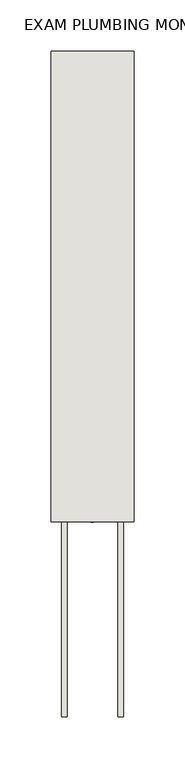
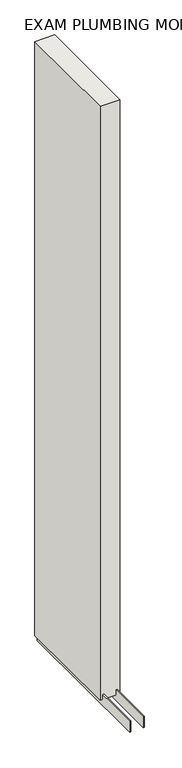
"""IFC4 building model written with IfcOpenShell, lengths in millimetres: wall geometry, EXAM PLUMBING MONO 287746 : EXAM PLUMBING MONO 287746."""

from ifc_helpers import new_model, si_unit, frame, origin, place, context, project, spatial, polyline, outline, extrude, source, transform, mapped, element, save


def exam_plumbing_mono_287746_exam_plumbing_mono_287746_1ad8a20e(model_context):
    return source(origin(), model_context, "Body", "SweptSolid", [
        extrude(outline(polyline([(78033.282211, -48831.8113024), (78033.282211, -48834.3513024), (78030.742211, -48834.3513024), (78030.742211, -48831.8113024), (78033.282211, -48831.8113024)])), frame((0.0, 0.0, 4419.6), z_axis=(0.0, 0.0, 1.0), x_axis=(1.0, 0.0, 0.0)), (0.0, 0.0, 1.0), 2.54),
        extrude(outline(polyline([(78006.9284664, -48374.0705618), (78006.9284664, -49024.8463494), (78001.849711, -49024.8463494), (78001.849711, -48374.0705618), (78006.9284664, -48374.0705618)])), frame((0.0, 0.0, 4418.6602), z_axis=(0.0, 0.0, 1.0), x_axis=(1.0, 0.0, 0.0)), (0.0, 0.0, 1.0), 47.625),
        extrude(outline(polyline([(78006.9284664, -48374.0705618), (78006.9284664, -49024.8463494), (78001.849711, -49024.8463494), (78001.849711, -48374.0705618), (78006.9284664, -48374.0705618)])), frame((0.0, 0.0, 4418.6602), z_axis=(0.0, 0.0, 1.0), x_axis=(1.0, 0.0, 0.0)), (0.0, 0.0, 1.0), 47.625),
        extrude(outline(polyline([(78057.0959556, -49024.8463494), (78057.0959556, -48374.0705618), (78062.174711, -48374.0705618), (78062.174711, -49024.8463494), (78057.0959556, -49024.8463494)])), frame((0.0, 0.0, 4418.6602), z_axis=(0.0, 0.0, 1.0), x_axis=(1.0, 0.0, 0.0)), (0.0, 0.0, 1.0), 47.625),
        extrude(outline(polyline([(78057.0959556, -49024.8463494), (78057.0959556, -48374.0705618), (78062.174711, -48374.0705618), (78062.174711, -49024.8463494), (78057.0959556, -49024.8463494)])), frame((0.0, 0.0, 4418.6602), z_axis=(0.0, 0.0, 1.0), x_axis=(1.0, 0.0, 0.0)), (0.0, 0.0, 1.0), 47.625),
        extrude(outline(polyline([(77991.3573266, -48374.0705618), (78072.6670954, -48374.0705618), (78072.6670954, -48834.3463494), (77991.3573266, -48834.3463494), (77991.3573266, -48374.0705618)])), frame((0.0, 0.0, 4445.0), z_axis=(0.0, 0.0, 1.0), x_axis=(1.0, 0.0, 0.0)), (0.0, 0.0, 1.0), 2562.4536762),
    ])


if __name__ == "__main__":
    model = new_model("IFC4")
    model_context = context("Model", 3, world=origin())
    ifc_project = project(units=[si_unit("LENGTHUNIT", "METRE", prefix="MILLI")], contexts=[model_context])
    site = spatial("IfcSite", under=ifc_project)
    building = spatial("IfcBuilding", under=site)
    placement = place(None, origin())
    exam_plumbing_mono_287746_exam_plumbing_mono_287746_shape = exam_plumbing_mono_287746_exam_plumbing_mono_287746_1ad8a20e(model_context)
    element("IfcWall", 1, ObjectType="EXAM PLUMBING MONO 287746 : EXAM PLUMBING MONO 287746", at=placement, inside=building, context=model_context, shape_type="MappedRepresentation", body=[
        mapped(exam_plumbing_mono_287746_exam_plumbing_mono_287746_shape, transform((0.0, 0.0, 0.0), x_axis=(1.0, 0.0, 0.0), y_axis=(0.0, 1.0, 0.0), z_axis=(0.0, 0.0, 1.0))),
    ])
    save(model, "model.ifc")
